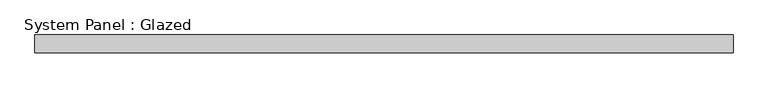
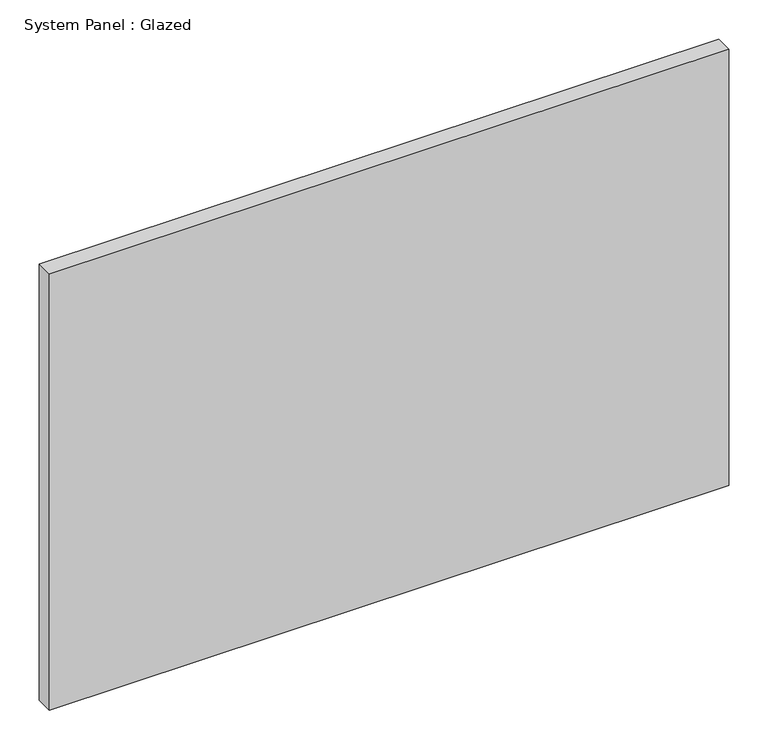
"""IFC4 building model written with IfcOpenShell, lengths in millimetres: plate geometry, System Panel : Glazed."""

from ifc_helpers import new_model, si_unit, origin, origin_with_axes, place, context, project, spatial, polyline, outline, extrude, source, transform, mapped, element, save


def system_panel_glazed_b6050666(model_context):
    return source(origin(), model_context, "Body", "SweptSolid", [
        extrude(outline(polyline([(500.0625, -12.7), (-500.0625, -12.7), (-500.0625, 12.7), (500.0625, 12.7), (500.0625, -12.7)])), origin_with_axes(), (0.0, 0.0, 1.0), 679.45),
    ])


if __name__ == "__main__":
    model = new_model("IFC4")
    model_context = context("Model", 3, world=origin())
    ifc_project = project(units=[si_unit("LENGTHUNIT", "METRE", prefix="MILLI")], contexts=[model_context])
    site = spatial("IfcSite", under=ifc_project)
    building = spatial("IfcBuilding", under=site)
    placement = place(None, origin())
    system_panel_glazed_shape = system_panel_glazed_b6050666(model_context)
    element("IfcPlate", 1, ObjectType="System Panel : Glazed", at=placement, inside=building, context=model_context, shape_type="MappedRepresentation", body=[
        mapped(system_panel_glazed_shape, transform((0.0, 0.0, 0.0), x_axis=(1.0, 0.0, 0.0), y_axis=(0.0, 1.0, 0.0), z_axis=(0.0, 0.0, 1.0))),
    ])
    save(model, "model.ifc")
